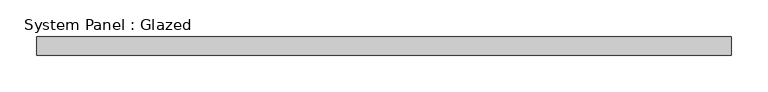
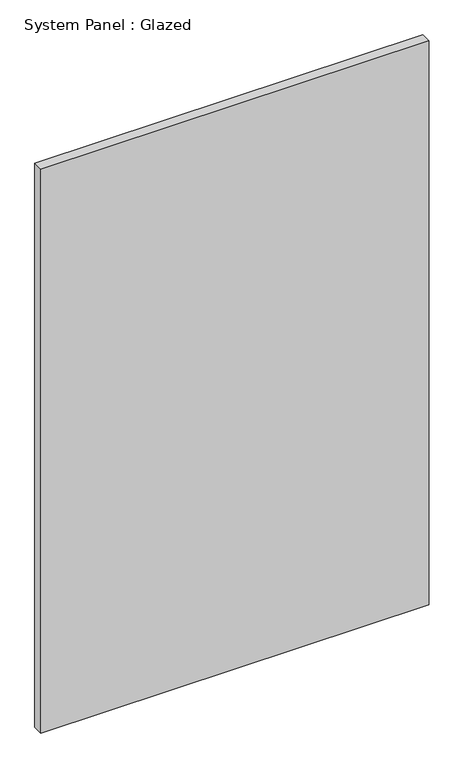
"""IFC4 building model written with IfcOpenShell, lengths in millimetres: plate geometry, System Panel : Glazed."""

from ifc_helpers import new_model, si_unit, origin, origin_with_axes, place, context, project, spatial, polyline, outline, extrude, source, transform, mapped, element, save


def system_panel_glazed_15d30e9d(model_context):
    return source(origin(), model_context, "Body", "SweptSolid", [
        extrude(outline(polyline([(474.6625, -12.7), (-474.6625, -12.7), (-474.6625, 12.7), (474.6625, 12.7), (474.6625, -12.7)])), origin_with_axes(), (0.0, 0.0, 1.0), 1457.325),
    ])


if __name__ == "__main__":
    model = new_model("IFC4")
    model_context = context("Model", 3, world=origin())
    ifc_project = project(units=[si_unit("LENGTHUNIT", "METRE", prefix="MILLI")], contexts=[model_context])
    site = spatial("IfcSite", under=ifc_project)
    building = spatial("IfcBuilding", under=site)
    placement = place(None, origin())
    system_panel_glazed_shape = system_panel_glazed_15d30e9d(model_context)
    element("IfcPlate", 1, ObjectType="System Panel : Glazed", at=placement, inside=building, context=model_context, shape_type="MappedRepresentation", body=[
        mapped(system_panel_glazed_shape, transform((0.0, 0.0, 0.0), x_axis=(1.0, 0.0, 0.0), y_axis=(0.0, 1.0, 0.0), z_axis=(0.0, 0.0, 1.0))),
    ])
    save(model, "model.ifc")
